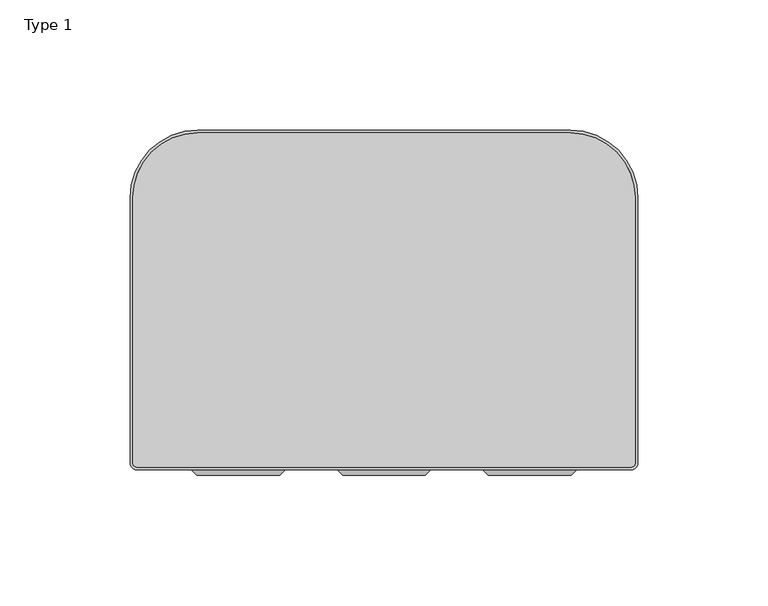
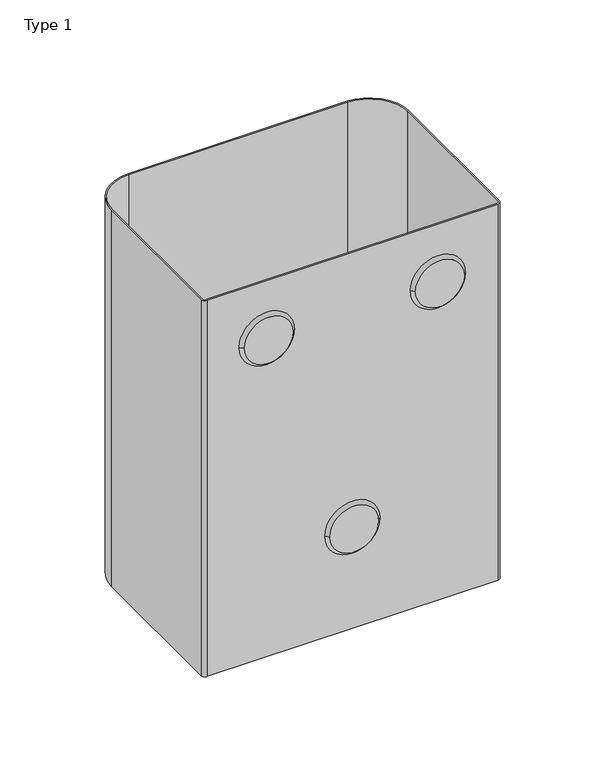
"""IFC4 building model written with IfcOpenShell, lengths in millimetres: furniture geometry, Type 1."""

from ifc_helpers import new_model, si_unit, point, frame, frame_2d, origin, origin_with_axes, place, context, project, spatial, polyline, circle_curve, trimmed, segment, composite_curve, outline, extrude, source, transform, mapped, element, save
from ifc_brep_helpers import plane_surface, revolved_surface, advanced_brep


def type_1_2c3bbba3(model_context):
    return source(origin(), model_context, "Body", "SolidModel", [
        extrude(outline(composite_curve([segment(trimmed(circle_curve(frame_2d((220.0150098, 80.6600051)), 1.4849925), [point((221.5000023, 80.6600051))], [point((220.0150098, 79.1750126))], False, "CARTESIAN"), True, "CONTINUOUS"), segment(polyline([(220.0150098, 79.1750126), (30.0000045, 79.1750126)]), True, "CONTINUOUS"), segment(trimmed(circle_curve(frame_2d((30.0000045, 80.6750126)), 1.5), [point((30.0000045, 79.1750126))], [point((28.5000045, 80.6750126))], False, "CARTESIAN"), True, "CONTINUOUS"), segment(polyline([(28.5000045, 80.6750126), (28.5000045, 182.5749746)]), True, "CONTINUOUS"), segment(trimmed(circle_curve(frame_2d((53.5000045, 182.5749746)), 25.0), [point((28.5000045, 182.5749746))], [point((53.5000045, 207.5749746))], False, "CARTESIAN"), True, "CONTINUOUS"), segment(polyline([(53.5000045, 207.5749746), (196.5000023, 207.5749746)]), True, "CONTINUOUS"), segment(trimmed(circle_curve(frame_2d((196.5000023, 182.5749746)), 25.0), [point((196.5000023, 207.5749746))], [point((221.5000023, 182.5749746))], False, "CARTESIAN"), True, "CONTINUOUS"), segment(polyline([(221.5000023, 182.5749746), (221.5000023, 80.6600051)]), True, "CONTINUOUS")], self_intersect=False)), frame((0.0, 0.0, 15.6000005), z_axis=(0.0, 0.0, 1.0), x_axis=(1.0, 0.0, 0.0)), (0.0, 0.0, 1.0), 0.9999991),
        advanced_brep(
        [(140.8750008, 76.0, 69.9999992), (109.1249992, 76.0, 69.9999992), (143.050002, 78.1750126, 69.9999992), (106.949998, 78.1750126, 69.9999992)],
        [
            (0, 1, circle_curve(frame((125.0, 76.0, 69.9999992), z_axis=(0.0, -1.0, 0.0), x_axis=(1.0, 0.0, 0.0)), 15.8750008)),
            (1, 0, circle_curve(frame((125.0, 76.0, 69.9999992), z_axis=(0.0, -1.0, 0.0), x_axis=(-1.0, 0.0, 0.0)), 15.8750008)),
            (2, 3, circle_curve(frame((125.0, 78.1750126, 69.9999992), z_axis=(0.0, 1.0, 0.0), x_axis=(-1.0, 0.0, 0.0)), 18.050002)),
            (3, 2, circle_curve(frame((125.0, 78.1750126, 69.9999992), z_axis=(0.0, 1.0, 0.0), x_axis=(1.0, 0.0, 0.0)), 18.050002)),
            (2, 0),
            (1, 3),
        ],
        [
            plane_surface(frame((125.0, 76.0, 69.9999992), z_axis=(0.0, -1.0, 0.0), x_axis=(0.0, 0.0, -1.0))),
            plane_surface(frame((125.0, 78.1750126, 69.9999992), z_axis=(0.0, 1.0, 0.0), x_axis=(0.0, 0.0, -1.0))),
            revolved_surface(polyline([(109.12499924902521, 76.0, 69.9999992), (106.949998, 78.1750126, 69.9999992)]), (125.0, 60.1249164, 69.9999992), (0.0, 1.0, 0.0)),
            revolved_surface(polyline([(140.8750007509748, 76.0, 69.9999992), (143.050002, 78.1750126, 69.9999992)]), (125.0, 60.1249164, 69.9999992), (0.0, 1.0, 0.0)),
        ],
        [
            (0, [[1, 2]]),
            (1, [[3, 4]]),
            (2, [[-3, 5, -2, 6]]),
            (3, [[-4, -6, -1, -5]]),
        ],
    ),
        advanced_brep(
        [(53.1249983, 76.0, 219.999998), (84.8749998, 76.0, 219.999998), (50.9499971, 78.1750126, 219.999998), (87.0500011, 78.1750126, 219.999998)],
        [
            (0, 1, circle_curve(frame((68.9999991, 76.0, 219.999998), z_axis=(0.0, -1.0, 0.0), x_axis=(-1.0, 0.0, 0.0)), 15.8750008)),
            (1, 0, circle_curve(frame((68.9999991, 76.0, 219.999998), z_axis=(0.0, -1.0, 0.0), x_axis=(1.0, 0.0, 0.0)), 15.8750008)),
            (2, 3, circle_curve(frame((68.9999991, 78.1750126, 219.999998), z_axis=(0.0, 1.0, 0.0), x_axis=(1.0, 0.0, 0.0)), 18.050002)),
            (3, 2, circle_curve(frame((68.9999991, 78.1750126, 219.999998), z_axis=(0.0, 1.0, 0.0), x_axis=(-1.0, 0.0, 0.0)), 18.050002)),
            (3, 1),
            (0, 2),
        ],
        [
            plane_surface(frame((68.9999991, 76.0, 219.999998), z_axis=(0.0, -1.0, 0.0), x_axis=(0.0, 0.0, 1.0))),
            plane_surface(frame((68.9999991, 78.1750126, 219.999998), z_axis=(0.0, 1.0, 0.0), x_axis=(0.0, 0.0, 1.0))),
            revolved_surface(polyline([(53.12499834902521, 76.0, 219.999998), (50.9499971, 78.1750126, 219.999998)]), (68.9999991, 60.1249164, 219.999998), (0.0, 1.0, 0.0)),
            revolved_surface(polyline([(84.87499985097479, 76.0, 219.999998), (87.0500011, 78.1750126, 219.999998)]), (68.9999991, 60.1249164, 219.999998), (0.0, 1.0, 0.0)),
        ],
        [
            (0, [[1, 2]]),
            (1, [[3, 4]]),
            (2, [[-4, 5, -1, 6]]),
            (3, [[-3, -6, -2, -5]]),
        ],
    ),
        advanced_brep(
        [(196.8750017, 76.0, 219.999998), (165.1250002, 76.0, 219.999998), (199.0500029, 78.1750126, 219.999998), (162.9499989, 78.1750126, 219.999998)],
        [
            (0, 1, circle_curve(frame((181.0000009, 76.0, 219.999998), z_axis=(0.0, -1.0, 0.0), x_axis=(1.0, 0.0, 0.0)), 15.8750008)),
            (1, 0, circle_curve(frame((181.0000009, 76.0, 219.999998), z_axis=(0.0, -1.0, 0.0), x_axis=(-1.0, 0.0, 0.0)), 15.8750008)),
            (2, 3, circle_curve(frame((181.0000009, 78.1750126, 219.999998), z_axis=(0.0, 1.0, 0.0), x_axis=(-1.0, 0.0, 0.0)), 18.050002)),
            (3, 2, circle_curve(frame((181.0000009, 78.1750126, 219.999998), z_axis=(0.0, 1.0, 0.0), x_axis=(1.0, 0.0, 0.0)), 18.050002)),
            (2, 0),
            (1, 3),
        ],
        [
            plane_surface(frame((181.0000009, 76.0, 219.999998), z_axis=(0.0, -1.0, 0.0), x_axis=(0.0, 0.0, -1.0))),
            plane_surface(frame((181.0000009, 78.1750126, 219.999998), z_axis=(0.0, 1.0, 0.0), x_axis=(0.0, 0.0, -1.0))),
            revolved_surface(polyline([(165.1250001490252, 76.0, 219.999998), (162.9499989, 78.1750126, 219.999998)]), (181.0000009, 60.1249164, 219.999998), (0.0, 1.0, 0.0)),
            revolved_surface(polyline([(196.8750016509748, 76.0, 219.999998), (199.0500029, 78.1750126, 219.999998)]), (181.0000009, 60.1249164, 219.999998), (0.0, 1.0, 0.0)),
        ],
        [
            (0, [[1, 2]]),
            (1, [[3, 4]]),
            (2, [[-3, 5, -2, 6]]),
            (3, [[-4, -6, -1, -5]]),
        ],
    ),
        extrude(outline(composite_curve([segment(polyline([(222.5000023, 182.5749746), (222.5000023, 80.6600051)]), True, "CONTINUOUS"), segment(trimmed(circle_curve(frame_2d((220.0150098, 80.6600051)), 2.4849925), [point((222.5000023, 80.6600051))], [point((220.0150098, 78.1750126))], False, "CARTESIAN"), True, "CONTINUOUS"), segment(polyline([(220.0150098, 78.1750126), (30.0000045, 78.1750126)]), True, "CONTINUOUS"), segment(trimmed(circle_curve(frame_2d((30.0000045, 80.6750126)), 2.5), [point((30.0000045, 78.1750126))], [point((27.5000045, 80.6750126))], False, "CARTESIAN"), True, "CONTINUOUS"), segment(polyline([(27.5000045, 80.6750126), (27.5000045, 182.5749746)]), True, "CONTINUOUS"), segment(trimmed(circle_curve(frame_2d((53.5000045, 182.5749746)), 26.0), [point((27.5000045, 182.5749746))], [point((53.5000045, 208.5749746))], False, "CARTESIAN"), True, "CONTINUOUS"), segment(polyline([(53.5000045, 208.5749746), (196.5000023, 208.5749746)]), True, "CONTINUOUS"), segment(trimmed(circle_curve(frame_2d((196.5000023, 182.5749746)), 26.0), [point((196.5000023, 208.5749746))], [point((222.5000023, 182.5749746))], False, "CARTESIAN"), True, "CONTINUOUS")], self_intersect=False), holes=[composite_curve([segment(trimmed(circle_curve(frame_2d((196.5000023, 182.5749746)), 25.0), [point((221.5000023, 182.5749746))], [point((196.5000023, 207.5749746))], True, "CARTESIAN"), True, "CONTINUOUS"), segment(polyline([(196.5000023, 207.5749746), (53.5000045, 207.5749746)]), True, "CONTINUOUS"), segment(trimmed(circle_curve(frame_2d((53.5000045, 182.5749746)), 25.0), [point((53.5000045, 207.5749746))], [point((28.5000045, 182.5749746))], True, "CARTESIAN"), True, "CONTINUOUS"), segment(polyline([(28.5000045, 182.5749746), (28.5000045, 80.6750126)]), True, "CONTINUOUS"), segment(trimmed(circle_curve(frame_2d((30.0000045, 80.6750126)), 1.5), [point((28.5000045, 80.6750126))], [point((30.0000045, 79.1750126))], True, "CARTESIAN"), True, "CONTINUOUS"), segment(polyline([(30.0000045, 79.1750126), (220.0150098, 79.1750126)]), True, "CONTINUOUS"), segment(trimmed(circle_curve(frame_2d((220.0150098, 80.6600051)), 1.4849925), [point((220.0150098, 79.1750126))], [point((221.5000023, 80.6600051))], True, "CARTESIAN"), True, "CONTINUOUS"), segment(polyline([(221.5000023, 80.6600051), (221.5000023, 182.5749746)]), True, "CONTINUOUS")], self_intersect=False)]), origin_with_axes(), (0.0, 0.0, 1.0), 259.9999911),
    ])


if __name__ == "__main__":
    model = new_model("IFC4")
    model_context = context("Model", 3, world=origin())
    ifc_project = project(units=[si_unit("LENGTHUNIT", "METRE", prefix="MILLI")], contexts=[model_context])
    site = spatial("IfcSite", under=ifc_project)
    building = spatial("IfcBuilding", under=site)
    placement = place(None, origin())
    type_1_shape = type_1_2c3bbba3(model_context)
    element("IfcFurniture", 1, ObjectType="Type 1", at=placement, inside=building, context=model_context, shape_type="MappedRepresentation", body=[
        mapped(type_1_shape, transform((0.0, 0.0, 0.0), x_axis=(1.0, 0.0, 0.0), y_axis=(0.0, 1.0, 0.0), z_axis=(0.0, 0.0, 1.0))),
    ])
    save(model, "model.ifc")
